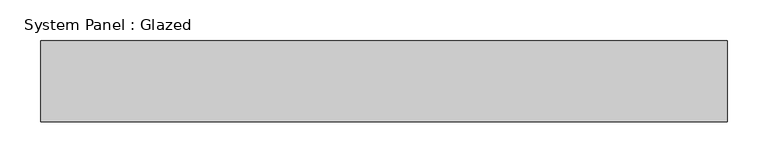
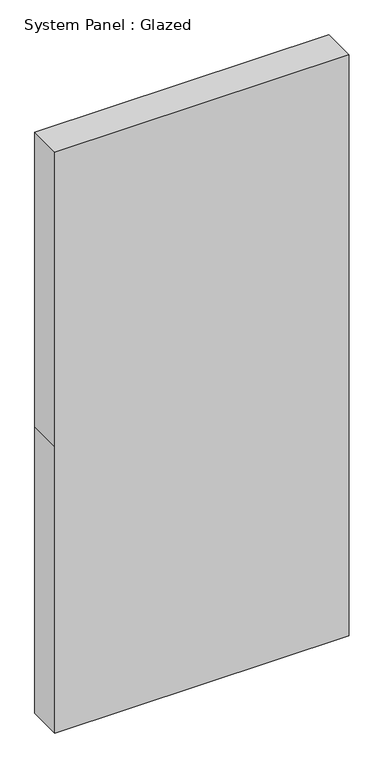
"""IFC4 building model written with IfcOpenShell, lengths in millimetres: plate geometry, System Panel : Glazed."""

from ifc_helpers import new_model, si_unit, frame, origin, place, context, project, spatial, polyline, outline, extrude, source, transform, mapped, element, save


def system_panel_glazed_b7ce8ab9(model_context):
    return source(origin(), model_context, "Body", "SweptSolid", [
        extrude(outline(polyline([(0.0, -423.0), (0.0, 423.0), (870.0, 423.0), (1765.0, 423.0), (1765.0, -423.0), (870.0, -423.0), (0.0, -423.0)])), frame((0.0, 50.0, 0.0), z_axis=(0.0, 1.0, 0.0), x_axis=(0.0, 0.0, 1.0)), (0.0, 0.0, 1.0), 100.0),
    ])


if __name__ == "__main__":
    model = new_model("IFC4")
    model_context = context("Model", 3, world=origin())
    ifc_project = project(units=[si_unit("LENGTHUNIT", "METRE", prefix="MILLI")], contexts=[model_context])
    site = spatial("IfcSite", under=ifc_project)
    building = spatial("IfcBuilding", under=site)
    placement = place(None, origin())
    system_panel_glazed_shape = system_panel_glazed_b7ce8ab9(model_context)
    element("IfcPlate", 1, ObjectType="System Panel : Glazed", at=placement, inside=building, context=model_context, shape_type="MappedRepresentation", body=[
        mapped(system_panel_glazed_shape, transform((0.0, 0.0, 0.0), x_axis=(1.0, 0.0, 0.0), y_axis=(0.0, 1.0, 0.0), z_axis=(0.0, 0.0, 1.0))),
    ])
    save(model, "model.ifc")
